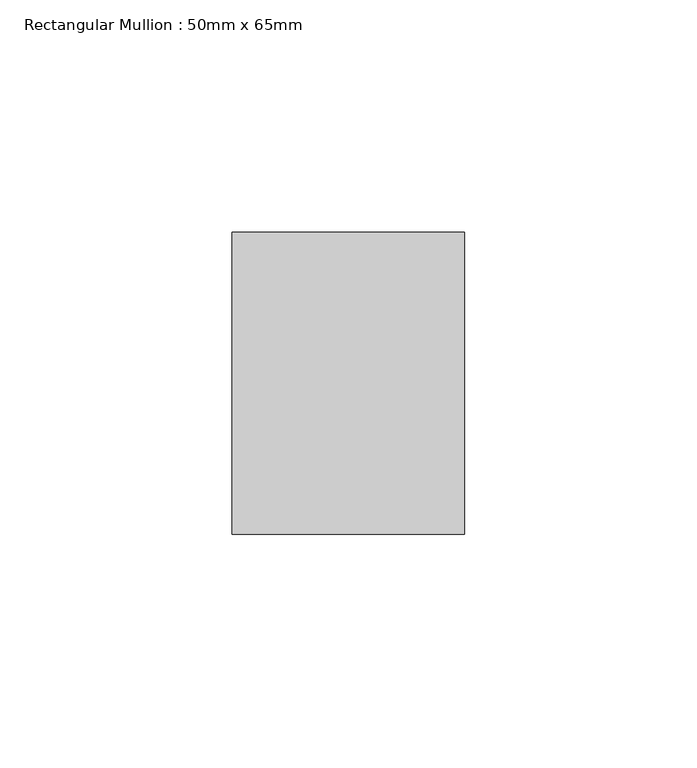
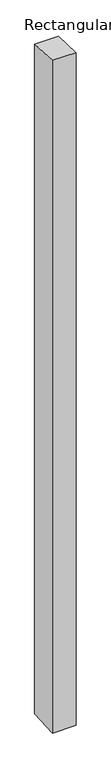
"""IFC4 building model written with IfcOpenShell, lengths in millimetres: member geometry, Rectangular Mullion : 50mm x 65mm."""

from ifc_helpers import new_model, si_unit, origin, place, context, project, spatial, faceted_brep, source, transform, mapped, element, save


def rectangular_mullion_50mm_x_65mm_e4d0dc52(model_context):
    return source(origin(), model_context, "Body", "Brep", [
        faceted_brep([(-25.0, 32.5, -1.467679), (25.0, 32.5, -1.4676712), (25.0, 32.5, -1498.1023741), (-25.0, 32.5, -1498.1023641), (-25.0, -32.5, 1.4676712), (-25.0, -32.5, -1501.8981077), (25.0, -32.5, 1.467679), (25.0, -32.5, -1501.8981178)], [[[0, 1, 2, 3]], [[4, 0, 3, 5]], [[6, 4, 5, 7]], [[1, 6, 7, 2]], [[1, 0, 4, 6]], [[2, 7, 5, 3]]]),
    ])


if __name__ == "__main__":
    model = new_model("IFC4")
    model_context = context("Model", 3, world=origin())
    ifc_project = project(units=[si_unit("LENGTHUNIT", "METRE", prefix="MILLI")], contexts=[model_context])
    site = spatial("IfcSite", under=ifc_project)
    building = spatial("IfcBuilding", under=site)
    placement = place(None, origin())
    rectangular_mullion_50mm_x_65mm_shape = rectangular_mullion_50mm_x_65mm_e4d0dc52(model_context)
    element("IfcMember", 1, ObjectType="Rectangular Mullion : 50mm x 65mm", at=placement, inside=building, context=model_context, shape_type="MappedRepresentation", body=[
        mapped(rectangular_mullion_50mm_x_65mm_shape, transform((0.0, 0.0, 0.0), x_axis=(1.0, 0.0, 0.0), y_axis=(0.0, 1.0, 0.0), z_axis=(0.0, 0.0, 1.0))),
    ])
    save(model, "model.ifc")
